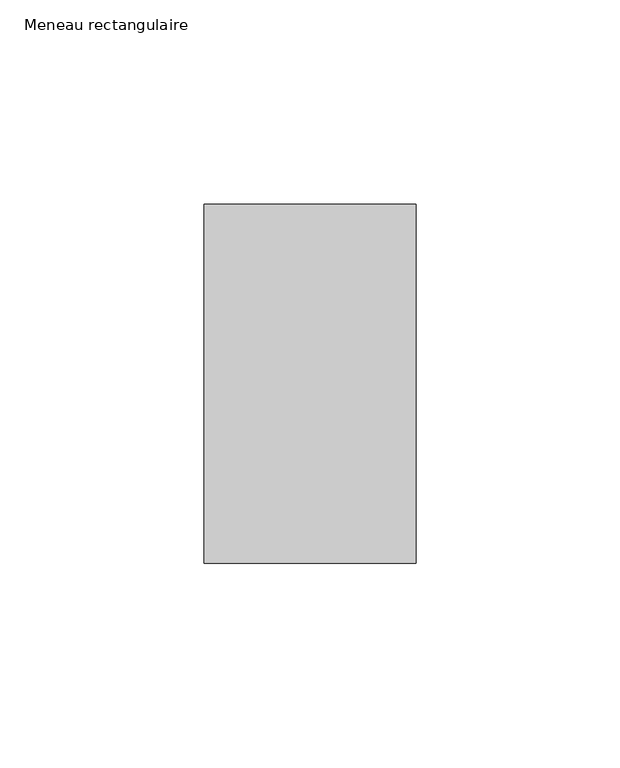
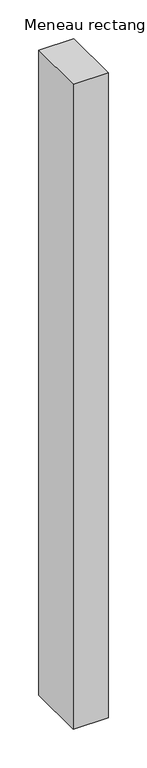
"""IFC4 building model written with IfcOpenShell, lengths in millimetres: member geometry, Meneau rectangulaire."""

from ifc_helpers import new_model, si_unit, frame, origin, place, context, project, spatial, polyline, outline, extrude, source, transform, mapped, element, save


def meneau_rectangulaire_d4ea2b0e(model_context):
    return source(origin(), model_context, "Body", "SweptSolid", [
        extrude(outline(polyline([(-52.0, 44.0), (0.0, 44.0), (0.0, -44.0), (-52.0, -44.0), (-52.0, 44.0)])), frame((0.0, 0.0, -1013.1330689), z_axis=(0.0, 0.0, 1.0), x_axis=(1.0, 0.0, 0.0)), (0.0, 0.0, 1.0), 1013.1330689),
    ])


if __name__ == "__main__":
    model = new_model("IFC4")
    model_context = context("Model", 3, world=origin())
    ifc_project = project(units=[si_unit("LENGTHUNIT", "METRE", prefix="MILLI")], contexts=[model_context])
    site = spatial("IfcSite", under=ifc_project)
    building = spatial("IfcBuilding", under=site)
    placement = place(None, origin())
    meneau_rectangulaire_shape = meneau_rectangulaire_d4ea2b0e(model_context)
    element("IfcMember", 1, ObjectType="Meneau rectangulaire", at=placement, inside=building, context=model_context, shape_type="MappedRepresentation", body=[
        mapped(meneau_rectangulaire_shape, transform((0.0, 0.0, 0.0), x_axis=(1.0, 0.0, 0.0), y_axis=(0.0, 1.0, 0.0), z_axis=(0.0, 0.0, 1.0))),
    ])
    save(model, "model.ifc")
